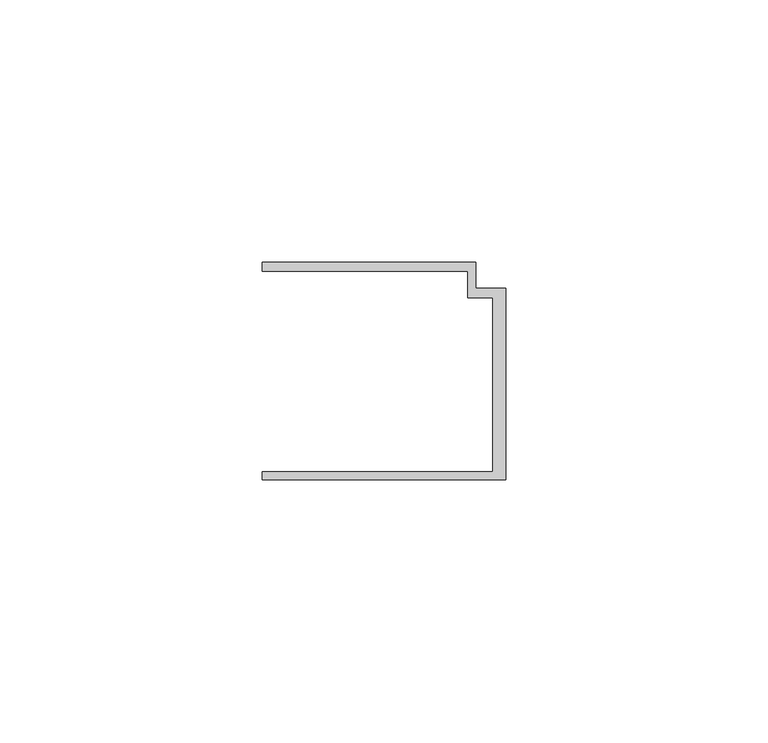
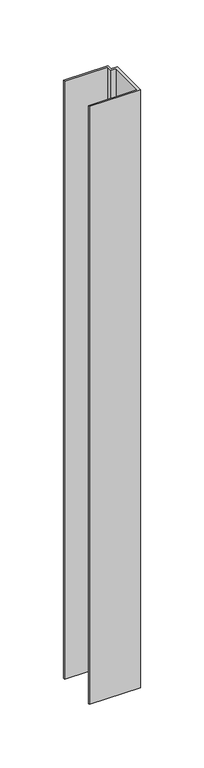
"""IFC4 building model written with IfcOpenShell, lengths in millimetres: member geometry."""

from ifc_helpers import new_model, si_unit, frame, origin, place, context, project, spatial, polyline, outline, extrude, source, transform, mapped, element, save


def member_aa49d39a(model_context):
    return source(origin(), model_context, "Body", "SweptSolid", [
        extrude(outline(polyline([(-46.3, -19.2), (-2.4, -19.2), (-2.4, 14.0), (-7.2, 14.0), (-7.2, 19.0), (-46.3, 19.0), (-46.3, 20.7), (-5.6999992, 20.7), (-5.6999992, 15.8), (0.0, 15.8), (0.0, -20.7), (-46.3, -20.7), (-46.3, -19.2)])), frame((0.0, 0.0, -574.7352632), z_axis=(0.0, 0.0, 1.0), x_axis=(1.0, 0.0, 0.0)), (0.0, 0.0, 1.0), 574.7352632),
    ])


if __name__ == "__main__":
    model = new_model("IFC4")
    model_context = context("Model", 3, world=origin())
    ifc_project = project(units=[si_unit("LENGTHUNIT", "METRE", prefix="MILLI")], contexts=[model_context])
    site = spatial("IfcSite", under=ifc_project)
    building = spatial("IfcBuilding", under=site)
    placement = place(None, origin())
    member_shape = member_aa49d39a(model_context)
    element("IfcMember", 1, at=placement, inside=building, context=model_context, shape_type="MappedRepresentation", body=[
        mapped(member_shape, transform((0.0, 0.0, 0.0), x_axis=(1.0, 0.0, 0.0), y_axis=(0.0, 1.0, 0.0), z_axis=(0.0, 0.0, 1.0))),
    ])
    save(model, "model.ifc")
